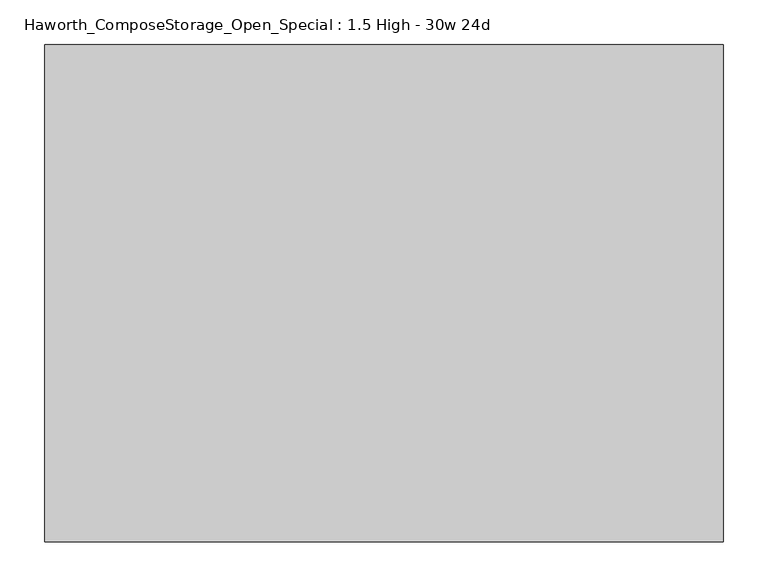
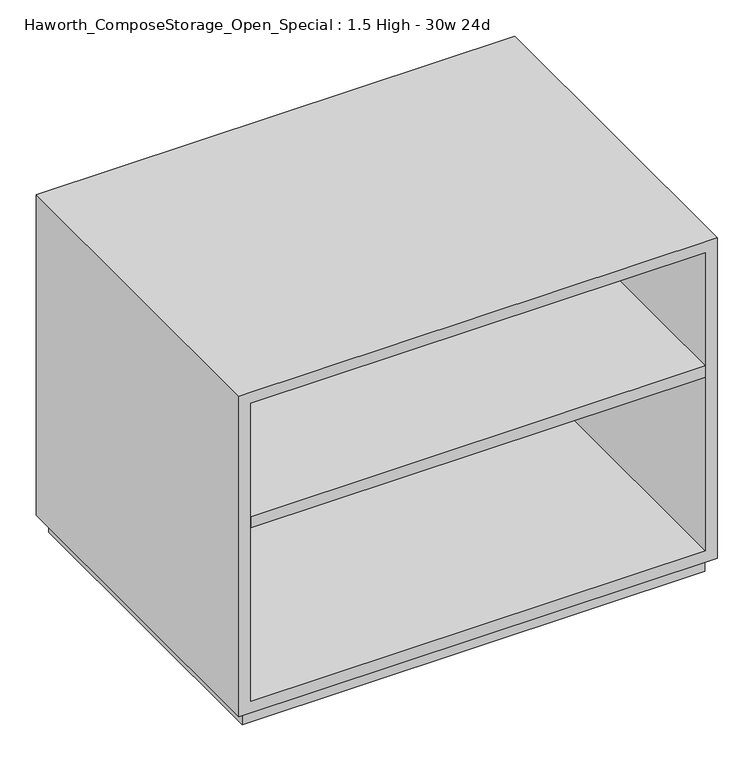
"""IFC4 building model written with IfcOpenShell, lengths in millimetres: furniture geometry, Haworth_ComposeStorage_Open_Special : 1.5 High - 30w 24d."""

from ifc_helpers import new_model, si_unit, frame, origin, origin_with_axes, place, context, project, spatial, polyline, outline, extrude, source, transform, mapped, element, save


def haworth_composestorage_open_special_1_5_high_30w_24d_566ed9ba(model_context):
    return source(origin(), model_context, "Body", "SweptSolid", [
        extrude(outline(polyline([(361.9569453, 323.85), (361.9569453, -215.9), (-361.9291641, -215.9), (-361.9291641, 323.85), (361.9569453, 323.85)])), frame((0.0, 0.0, 336.55), z_axis=(0.0, 0.0, 1.0), x_axis=(1.0, 0.0, 0.0)), (0.0, 0.0, 1.0), 19.05),
        extrude(outline(polyline([(25.4, -380.9861094), (25.4, 381.0138906), (565.15, 381.0138906), (565.15, -380.9861094), (25.4, -380.9861094)]), holes=[polyline([(44.45, -361.9361094), (546.1, -361.9361094), (546.1, 361.9569453), (44.45, 361.9569453), (44.45, -361.9361094)])]), frame((0.0, -215.9, 0.0), z_axis=(0.0, 1.0, 0.0), x_axis=(0.0, 0.0, 1.0)), (0.0, 0.0, 1.0), 558.8),
        extrude(outline(polyline([(-361.9291641, 323.85), (-361.9291641, 342.9), (361.9569453, 342.9), (361.9569453, 323.85), (-361.9291641, 323.85)])), frame((0.0, 0.0, 44.45), z_axis=(0.0, 0.0, 1.0), x_axis=(1.0, 0.0, 0.0)), (0.0, 0.0, 1.0), 501.65),
        extrude(outline(polyline([(368.3138906, -203.2), (-368.2861094, -203.2), (-368.2861094, 330.2), (368.3138906, 330.2), (368.3138906, -203.2)])), origin_with_axes(), (0.0, 0.0, 1.0), 25.4),
    ])


if __name__ == "__main__":
    model = new_model("IFC4")
    model_context = context("Model", 3, world=origin())
    ifc_project = project(units=[si_unit("LENGTHUNIT", "METRE", prefix="MILLI")], contexts=[model_context])
    site = spatial("IfcSite", under=ifc_project)
    building = spatial("IfcBuilding", under=site)
    placement = place(None, origin())
    haworth_composestorage_open_special_1_5_high_30w_24d_shape = haworth_composestorage_open_special_1_5_high_30w_24d_566ed9ba(model_context)
    element("IfcFurniture", 1, ObjectType="Haworth_ComposeStorage_Open_Special : 1.5 High - 30w 24d", at=placement, inside=building, context=model_context, shape_type="MappedRepresentation", body=[
        mapped(haworth_composestorage_open_special_1_5_high_30w_24d_shape, transform((0.0, 0.0, 0.0), x_axis=(1.0, 0.0, 0.0), y_axis=(0.0, 1.0, 0.0), z_axis=(0.0, 0.0, 1.0))),
    ])
    save(model, "model.ifc")
